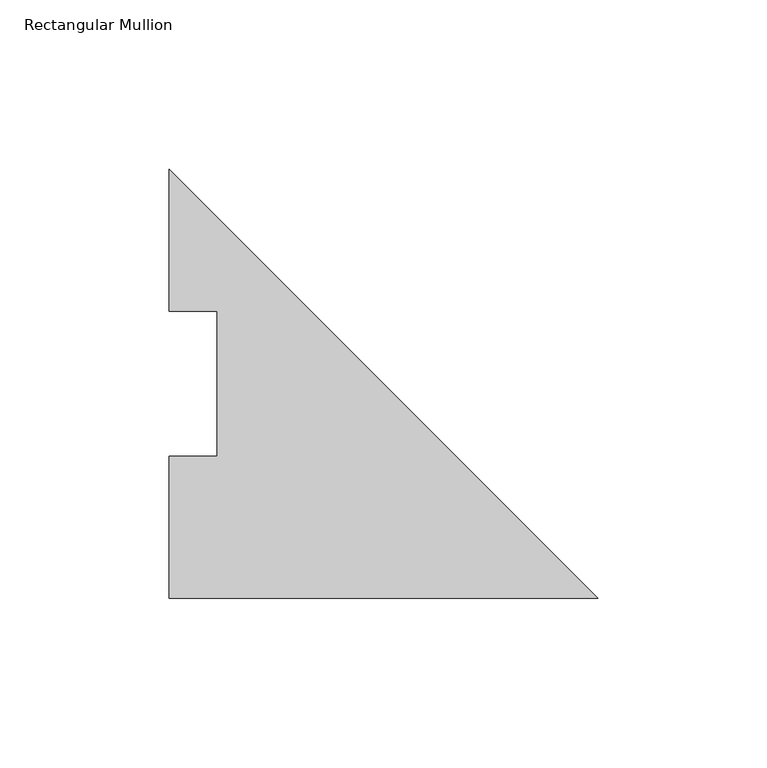
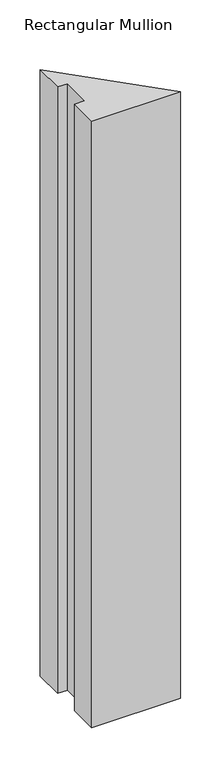
"""IFC4 building model written with IfcOpenShell, lengths in millimetres: member geometry, Rectangular Mullion."""

from ifc_helpers import new_model, si_unit, frame, origin, place, context, project, spatial, polyline, outline, extrude, source, transform, mapped, element, save


def rectangular_mullion_a3c7b64d(model_context):
    return source(origin(), model_context, "Body", "SweptSolid", [
        extrude(outline(polyline([(-127.0, -0.2913062), (-127.0, 41.7837938), (-112.7125, 41.7837938), (-112.7125, 84.6335937), (-127.0, 84.6335937), (-127.0, 126.7086938), (0.0, -0.2913062), (-127.0, -0.2913062)])), frame((0.0, 0.0, -914.4), z_axis=(0.0, 0.0, 1.0), x_axis=(1.0, 0.0, 0.0)), (0.0, 0.0, 1.0), 914.4),
    ])


if __name__ == "__main__":
    model = new_model("IFC4")
    model_context = context("Model", 3, world=origin())
    ifc_project = project(units=[si_unit("LENGTHUNIT", "METRE", prefix="MILLI")], contexts=[model_context])
    site = spatial("IfcSite", under=ifc_project)
    building = spatial("IfcBuilding", under=site)
    placement = place(None, origin())
    rectangular_mullion_shape = rectangular_mullion_a3c7b64d(model_context)
    element("IfcMember", 1, ObjectType="Rectangular Mullion", at=placement, inside=building, context=model_context, shape_type="MappedRepresentation", body=[
        mapped(rectangular_mullion_shape, transform((0.0, 0.0, 0.0), x_axis=(1.0, 0.0, 0.0), y_axis=(0.0, 1.0, 0.0), z_axis=(0.0, 0.0, 1.0))),
    ])
    save(model, "model.ifc")
